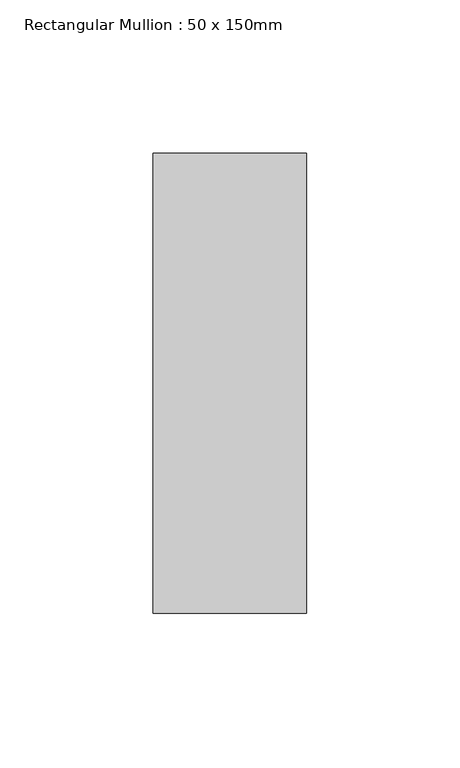
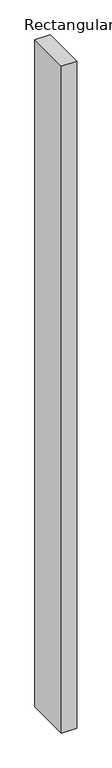
"""IFC4 building model written with IfcOpenShell, lengths in millimetres: member geometry, Rectangular Mullion : 50 x 150mm."""

from ifc_helpers import new_model, si_unit, frame, origin, place, context, project, spatial, polyline, outline, extrude, source, transform, mapped, element, save


def rectangular_mullion_50_x_150mm_f70f74d1(model_context):
    return source(origin(), model_context, "Body", "SweptSolid", [
        extrude(outline(polyline([(25.0, 75.0), (25.0, -75.0), (-25.0, -75.0), (-25.0, 75.0), (25.0, 75.0)])), frame((0.0, 0.0, -2300.0), z_axis=(0.0, 0.0, 1.0), x_axis=(1.0, 0.0, 0.0)), (0.0, 0.0, 1.0), 2300.0),
    ])


if __name__ == "__main__":
    model = new_model("IFC4")
    model_context = context("Model", 3, world=origin())
    ifc_project = project(units=[si_unit("LENGTHUNIT", "METRE", prefix="MILLI")], contexts=[model_context])
    site = spatial("IfcSite", under=ifc_project)
    building = spatial("IfcBuilding", under=site)
    placement = place(None, origin())
    rectangular_mullion_50_x_150mm_shape = rectangular_mullion_50_x_150mm_f70f74d1(model_context)
    element("IfcMember", 1, ObjectType="Rectangular Mullion : 50 x 150mm", at=placement, inside=building, context=model_context, shape_type="MappedRepresentation", body=[
        mapped(rectangular_mullion_50_x_150mm_shape, transform((0.0, 0.0, 0.0), x_axis=(1.0, 0.0, 0.0), y_axis=(0.0, 1.0, 0.0), z_axis=(0.0, 0.0, 1.0))),
    ])
    save(model, "model.ifc")
